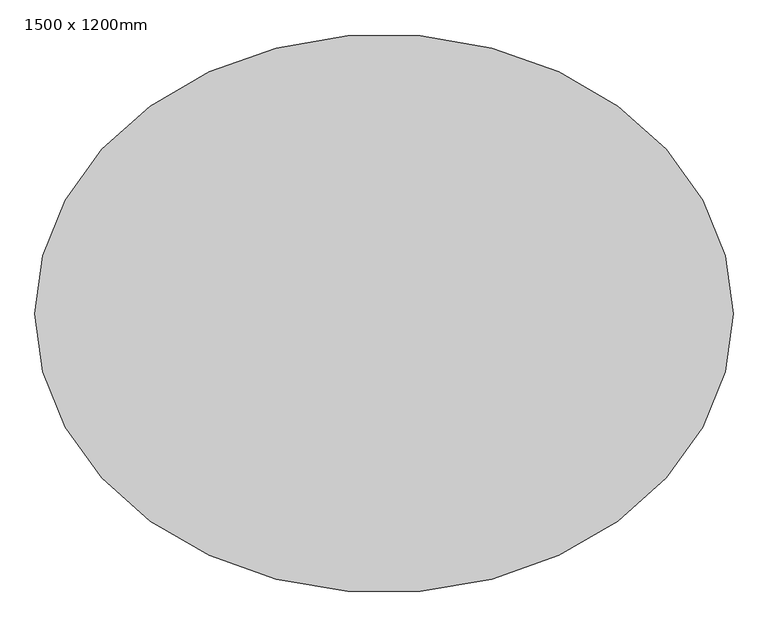
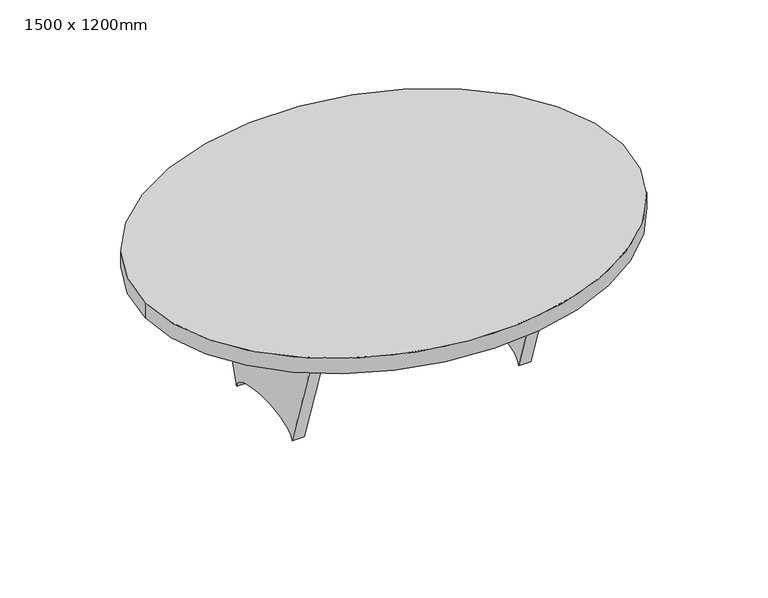
"""IFC4 building model written with IfcOpenShell, lengths in millimetres: furniture geometry, 1500 x 1200mm."""

from ifc_helpers import new_model, si_unit, point, frame, origin, place, context, project, spatial, ellipse_curve, trimmed, source, transform, mapped, element, save
from ifc_brep_helpers import plane_surface, extruded_surface, advanced_brep


def furniture_1500_x_1200mm_80fc5777(model_context):
    return source(origin(), model_context, "Body", "AdvancedBrep", [
        advanced_brep(
        [(-336.9, 19.05, 449.2), (336.9, 19.05, 449.2), (336.9, 19.05, 299.4666667), (-336.9, 19.05, 299.4666667), (-336.9, -19.05, 449.2), (-336.9, -19.05, 299.4666667), (336.9, -19.05, 299.4666667), (336.9, -19.05, 449.2)],
        [
            (0, 1),
            (1, 2),
            (2, 3, ellipse_curve(frame((0.0, 19.05, 299.4666667), z_axis=(0.0, -1.0, 0.0), x_axis=(1.0, 0.0, 0.0)), 336.9, 101.6)),
            (3, 0),
            (4, 5),
            (5, 6, ellipse_curve(frame((0.0, -19.05, 299.4666667), z_axis=(0.0, 1.0, 0.0), x_axis=(1.0, 0.0, 0.0)), 336.9, 101.6)),
            (6, 7),
            (7, 4),
            (0, 4),
            (7, 1),
            (6, 2),
            (5, 3),
        ],
        [
            plane_surface(frame((-336.9, 19.05, 449.2), z_axis=(0.0, 1.0, 0.0), x_axis=(1.0, 0.0, 0.0))),
            plane_surface(frame((-336.9, -19.05, 449.2), z_axis=(0.0, -1.0, 0.0), x_axis=(-1.0, 0.0, 0.0))),
            plane_surface(frame((-336.9, 19.05, 449.2), z_axis=(0.0, 0.0, 1.0), x_axis=(0.0, -1.0, 0.0))),
            plane_surface(frame((336.9, 19.05, 449.2), z_axis=(1.0, 0.0, 0.0), x_axis=(0.0, -1.0, 0.0))),
            extruded_surface(trimmed(ellipse_curve(frame((0.0, -57.15, 299.4666667), z_axis=(0.0, -1.0, 0.0), x_axis=(1.0, 0.0, 0.0)), 336.9, 101.6), [point((336.9, -57.15, 299.4666667))], [point((-336.9, -57.15, 299.4666667))], True, "CARTESIAN"), (0.0, 38.099999999999994, 0.0), 38.099999999999994),
            plane_surface(frame((-336.9, 19.05, 299.4666667), z_axis=(-1.0, 0.0, 0.0), x_axis=(0.0, -1.0, 0.0))),
        ],
        [
            (0, [[1, 2, 3, 4]]),
            (1, [[5, 6, 7, 8]]),
            (2, [[-1, 9, -8, 10]]),
            (3, [[-2, -10, -7, 11]]),
            (4, [[-3, -11, -6, 12]]),
            (5, [[-4, -12, -5, -9]]),
        ],
    ),
        advanced_brep(
        [(375.0, 300.0, 449.2), (375.0, -300.0, 449.2), (375.0, -150.0, 0.0), (375.0, 150.0, 0.0), (336.9, 300.0, 449.2), (336.9, 150.0, 0.0), (336.9, -150.0, 0.0), (336.9, -300.0, 449.2)],
        [
            (0, 1),
            (1, 2),
            (2, 3, ellipse_curve(frame((375.0, 0.0, 0.0), z_axis=(-1.0, 0.0, 0.0), x_axis=(0.0, 1.0, 0.0)), 150.0, 50.8)),
            (3, 0),
            (4, 5),
            (5, 6, ellipse_curve(frame((336.9, 0.0, 0.0), z_axis=(1.0, 0.0, 0.0), x_axis=(0.0, 1.0, 0.0)), 150.0, 50.8)),
            (6, 7),
            (7, 4),
            (0, 4),
            (7, 1),
            (6, 2),
            (5, 3),
        ],
        [
            plane_surface(frame((375.0, -300.0, 449.2), z_axis=(1.0, 0.0, 0.0), x_axis=(0.0, -1.0, 0.0))),
            plane_surface(frame((336.9, -300.0, 449.2), z_axis=(-1.0, 0.0, 0.0), x_axis=(0.0, 1.0, 0.0))),
            plane_surface(frame((375.0, 300.0, 449.2), z_axis=(0.0, 0.0, 1.0), x_axis=(-1.0, 0.0, 0.0))),
            plane_surface(frame((375.0, -300.0, 449.2), z_axis=(0.0, -0.9485142376293187, -0.3167344960917146), x_axis=(-1.0, 0.0, 0.0))),
            extruded_surface(trimmed(ellipse_curve(frame((298.8, 0.0, 0.0), z_axis=(-1.0, 0.0, 0.0), x_axis=(0.0, 1.0, 0.0)), 150.0, 50.8), [point((298.8, -150.0, 0.0))], [point((298.8, 150.0, 0.0))], True, "CARTESIAN"), (38.099999999999966, 0.0, 0.0), 38.099999999999966),
            plane_surface(frame((375.0, 150.0, 0.0), z_axis=(0.0, 0.9485142376293193, -0.3167344960917127), x_axis=(-1.0, 0.0, 0.0))),
        ],
        [
            (0, [[1, 2, 3, 4]]),
            (1, [[5, 6, 7, 8]]),
            (2, [[-1, 9, -8, 10]]),
            (3, [[-2, -10, -7, 11]]),
            (4, [[-3, -11, -6, 12]]),
            (5, [[-4, -12, -5, -9]]),
        ],
    ),
        advanced_brep(
        [(-336.9, 300.0, 449.2), (-336.9, -300.0, 449.2), (-336.9, -150.0, 0.0), (-336.9, 150.0, 0.0), (-375.0, 300.0, 449.2), (-375.0, 150.0, 0.0), (-375.0, -150.0, 0.0), (-375.0, -300.0, 449.2)],
        [
            (0, 1),
            (1, 2),
            (2, 3, ellipse_curve(frame((-336.9, 0.0, 0.0), z_axis=(-1.0, 0.0, 0.0), x_axis=(0.0, 1.0, 0.0)), 150.0, 50.8)),
            (3, 0),
            (4, 5),
            (5, 6, ellipse_curve(frame((-375.0, 0.0, 0.0), z_axis=(1.0, 0.0, 0.0), x_axis=(0.0, 1.0, 0.0)), 150.0, 50.8)),
            (6, 7),
            (7, 4),
            (0, 4),
            (7, 1),
            (6, 2),
            (5, 3),
        ],
        [
            plane_surface(frame((-336.9, -300.0, 449.2), z_axis=(1.0, 0.0, 0.0), x_axis=(0.0, -1.0, 0.0))),
            plane_surface(frame((-375.0, -300.0, 449.2), z_axis=(-1.0, 0.0, 0.0), x_axis=(0.0, 1.0, 0.0))),
            plane_surface(frame((-336.9, 300.0, 449.2), z_axis=(0.0, 0.0, 1.0), x_axis=(-1.0, 0.0, 0.0))),
            plane_surface(frame((-336.9, -300.0, 449.2), z_axis=(0.0, -0.9485142376293108, -0.3167344960917386), x_axis=(-1.0, 0.0, 0.0))),
            extruded_surface(trimmed(ellipse_curve(frame((-413.1, 0.0, 0.0), z_axis=(-1.0, 0.0, 0.0), x_axis=(0.0, 1.0, 0.0)), 150.0, 50.8), [point((-413.1, -150.0, 0.0))], [point((-413.1, 150.0, 0.0))], True, "CARTESIAN"), (38.10000000000002, 0.0, 0.0), 38.10000000000002),
            plane_surface(frame((-336.9, 150.0, 0.0), z_axis=(0.0, 0.9485142376293153, -0.3167344960917248), x_axis=(-1.0, 0.0, 0.0))),
        ],
        [
            (0, [[1, 2, 3, 4]]),
            (1, [[5, 6, 7, 8]]),
            (2, [[-1, 9, -8, 10]]),
            (3, [[-2, -10, -7, 11]]),
            (4, [[-3, -11, -6, 12]]),
            (5, [[-4, -12, -5, -9]]),
        ],
    ),
        advanced_brep(
        [(-750.0, 0.0, 500.0), (750.0, 0.0, 500.0), (-750.0, 0.0, 449.2), (750.0, 0.0, 449.2)],
        [
            (0, 1, ellipse_curve(frame((0.0, 0.0, 500.0), z_axis=(0.0, 0.0, 1.0), x_axis=(1.0, 0.0, 0.0)), 750.0, 600.0)),
            (1, 0, ellipse_curve(frame((0.0, 0.0, 500.0), z_axis=(0.0, 0.0, 1.0), x_axis=(1.0, 0.0, 0.0)), 750.0, 600.0)),
            (2, 3, ellipse_curve(frame((0.0, 0.0, 449.2), z_axis=(0.0, 0.0, -1.0), x_axis=(1.0, 0.0, 0.0)), 750.0, 600.0)),
            (3, 2, ellipse_curve(frame((0.0, 0.0, 449.2), z_axis=(0.0, 0.0, -1.0), x_axis=(1.0, 0.0, 0.0)), 750.0, 600.0)),
            (0, 2),
            (3, 1),
        ],
        [
            plane_surface(frame((750.0, 0.0, 500.0), z_axis=(0.0, 0.0, 1.0), x_axis=(0.0, 1.0, 0.0))),
            plane_surface(frame((750.0, 0.0, 449.2), z_axis=(0.0, 0.0, -1.0), x_axis=(0.0, -1.0, 0.0))),
            extruded_surface(trimmed(ellipse_curve(frame((0.0, 0.0, 398.4), z_axis=(0.0, 0.0, 1.0), x_axis=(1.0, 0.0, 0.0)), 750.0, 600.0), [point((-750.0, 0.0, 398.4))], [point((750.0, 0.0, 398.4))], True, "CARTESIAN"), (0.0, 0.0, 50.80000000000001), 50.80000000000001),
            extruded_surface(trimmed(ellipse_curve(frame((0.0, 0.0, 398.4), z_axis=(0.0, 0.0, 1.0), x_axis=(1.0, 0.0, 0.0)), 750.0, 600.0), [point((750.0, 0.0, 398.4))], [point((-750.0, 0.0, 398.4))], True, "CARTESIAN"), (0.0, 0.0, 50.80000000000001), 50.80000000000001),
        ],
        [
            (0, [[1, 2]]),
            (1, [[3, 4]]),
            (2, [[-1, 5, -4, 6]]),
            (3, [[-2, -6, -3, -5]]),
        ],
    ),
    ])


if __name__ == "__main__":
    model = new_model("IFC4")
    model_context = context("Model", 3, world=origin())
    ifc_project = project(units=[si_unit("LENGTHUNIT", "METRE", prefix="MILLI")], contexts=[model_context])
    site = spatial("IfcSite", under=ifc_project)
    building = spatial("IfcBuilding", under=site)
    placement = place(None, origin())
    furniture_1500_x_1200mm_shape = furniture_1500_x_1200mm_80fc5777(model_context)
    element("IfcFurniture", 1, ObjectType="1500 x 1200mm", at=placement, inside=building, context=model_context, shape_type="MappedRepresentation", body=[
        mapped(furniture_1500_x_1200mm_shape, transform((0.0, 0.0, 0.0), x_axis=(1.0, 0.0, 0.0), y_axis=(0.0, 1.0, 0.0), z_axis=(0.0, 0.0, 1.0))),
    ])
    save(model, "model.ifc")
